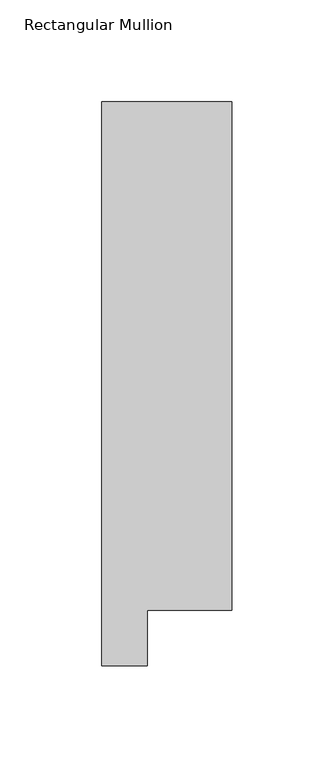
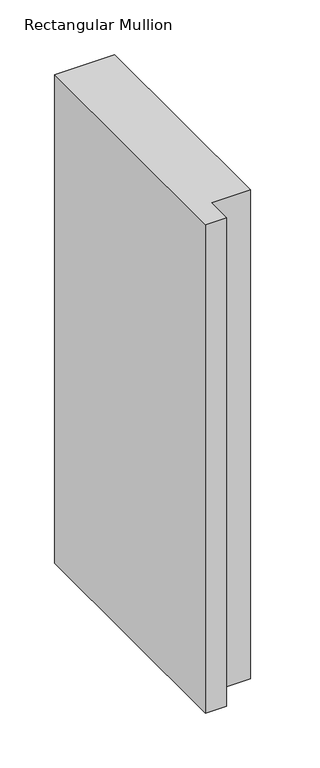
"""IFC4 building model written with IfcOpenShell, lengths in millimetres: member geometry, Rectangular Mullion."""

import ifcopenshell
import ifcopenshell.guid

model = None  # the IFC model being written
_history = None  # IfcOwnerHistory: only IFC2X3 demands one
_inside = {}  # id of a spatial element -> (the spatial element, [elements in it])
_under = {}  # id of a project, library or spatial element -> (it, [spatial elements below it])
_declared = {}  # id of a project -> (the project, [libraries it declares])
_typed = {}  # id of a type object -> (the type object, [elements of that type])
_made_of = {}  # id of a material, layer set ... -> (it, [elements and type objects made of it])


def new_model(schema):
    """Start an empty IFC model of exactly this schema.

    Asked for "IFC4X3", IfcOpenShell would pick the latest addendum, in which some entities
    have other attributes; the version numbers below select the first issue.
    IFC2X3 requires an IfcOwnerHistory on every rooted entity: one is made here for all.
    """
    global model, _history
    if schema == "IFC4X3":
        model = ifcopenshell.file(schema_version=(4, 3, 0, 0))
    else:
        model = ifcopenshell.file(schema=schema)
    _inside.clear()
    _under.clear()
    _declared.clear()
    _typed.clear()
    _made_of.clear()
    _history = None
    if model.schema == "IFC2X3":
        org = make("IfcOrganization", Name="unknown")
        user = make(
            "IfcPersonAndOrganization",
            ThePerson=make("IfcPerson", FamilyName="unknown"),
            TheOrganization=org,
        )
        app = make(
            "IfcApplication",
            ApplicationDeveloper=org,
            Version="unknown",
            ApplicationFullName="unknown",
            ApplicationIdentifier="unknown",
        )
        _history = make(
            "IfcOwnerHistory",
            OwningUser=user,
            OwningApplication=app,
            ChangeAction="ADDED",
            CreationDate=0,
        )
    return model


def make(cls, **values):
    """One entity of the class cls with the attributes given. An attribute that is None is left unset."""
    return model.create_entity(
        cls, **{name: value for name, value in values.items() if value is not None}
    )


def rooted(cls, **values):
    """An entity with a GlobalId (a new one), such as an element, a storey or a relation."""
    return make(cls, GlobalId=ifcopenshell.guid.new(), OwnerHistory=_history, **values)


def si_unit(unit_type, name, prefix=None):
    """IfcSIUnit, for example si_unit("LENGTHUNIT", "METRE", prefix="MILLI")."""
    return make("IfcSIUnit", UnitType=unit_type, Prefix=prefix, Name=name)


def assignment(units):
    """IfcUnitAssignment: the units of a project."""
    return None if units is None else make("IfcUnitAssignment", Units=units)


def point(xyz):
    """IfcCartesianPoint."""
    return None if xyz is None else make("IfcCartesianPoint", Coordinates=xyz)


def direction(xyz):
    """IfcDirection."""
    return None if xyz is None else make("IfcDirection", DirectionRatios=xyz)


def frame(location, z_axis=None, x_axis=None):
    """IfcAxis2Placement3D, a coordinate frame: its origin and axes. An axis left out is left unset."""
    return make(
        "IfcAxis2Placement3D",
        Location=point(location),
        Axis=direction(z_axis),
        RefDirection=direction(x_axis),
    )


def origin():
    """The frame at (0, 0, 0) with its axes left unset."""
    return frame((0.0, 0.0, 0.0))


def place(relative_to, where):
    """IfcLocalPlacement: puts the frame where relative to a parent placement (None: the world)."""
    return make(
        "IfcLocalPlacement", PlacementRelTo=relative_to, RelativePlacement=where
    )


def context(
    kind, dimensions, precision=None, world=None, true_north=None, identifier=None
):
    """IfcGeometricRepresentationContext, for example the 3D "Model" context."""
    return make(
        "IfcGeometricRepresentationContext",
        ContextIdentifier=identifier,
        ContextType=kind,
        CoordinateSpaceDimension=dimensions,
        Precision=precision,
        WorldCoordinateSystem=world,
        TrueNorth=true_north,
    )


def project(units=None, contexts=None):
    """IfcProject with its units and contexts."""
    return rooted(
        "IfcProject",
        Name="project",
        RepresentationContexts=contexts,
        UnitsInContext=assignment(units),
    )


def spatial(cls, under=None, at=None, **own):
    """A site, building, storey or space (cls), placed at a placement, below another one or the project."""
    s = rooted(cls, ObjectPlacement=at, **own)
    if under is not None:
        _under.setdefault(under.id(), (under, []))[1].append(s)
    return s


def polyline(points):
    """IfcPolyline through the points."""
    return make("IfcPolyline", Points=[point(p) for p in points])


def outline(outer, holes=None, kind="AREA"):
    """IfcArbitraryClosedProfileDef: a profile drawn as a closed curve; with holes, ...WithVoids."""
    if holes is None:
        return make("IfcArbitraryClosedProfileDef", ProfileType=kind, OuterCurve=outer)
    return make(
        "IfcArbitraryProfileDefWithVoids",
        ProfileType=kind,
        OuterCurve=outer,
        InnerCurves=holes,
    )


def extrude(swept, where, along, depth):
    """IfcExtrudedAreaSolid: the profile swept, set in the frame where, extruded along a direction by depth."""
    return make(
        "IfcExtrudedAreaSolid",
        SweptArea=swept,
        Position=where,
        ExtrudedDirection=direction(along),
        Depth=depth,
    )


def shape(context_of_items, identifier, shape_type, items):
    """IfcShapeRepresentation: the items that make up one representation, for example the "Body"."""
    return make(
        "IfcShapeRepresentation",
        ContextOfItems=context_of_items,
        RepresentationIdentifier=identifier,
        RepresentationType=shape_type,
        Items=items,
    )


def source(mapping_origin, context_of_items, identifier, shape_type, items):
    """IfcRepresentationMap: a shape defined once, which mapped items show again and again."""
    return make(
        "IfcRepresentationMap",
        MappingOrigin=mapping_origin,
        MappedRepresentation=shape(context_of_items, identifier, shape_type, items),
    )


def transform(
    local_origin,
    x_axis=None,
    y_axis=None,
    z_axis=None,
    scale=None,
    scale2=None,
    scale3=None,
    uniform=True,
):
    """IfcCartesianTransformationOperator3D, or its non-uniform kind. x_axis, y_axis, z_axis: its Axis1, 2, 3."""
    if uniform:
        return make(
            "IfcCartesianTransformationOperator3D",
            Axis1=direction(x_axis),
            Axis2=direction(y_axis),
            LocalOrigin=point(local_origin),
            Scale=scale,
            Axis3=direction(z_axis),
        )
    return make(
        "IfcCartesianTransformationOperator3DnonUniform",
        Axis1=direction(x_axis),
        Axis2=direction(y_axis),
        LocalOrigin=point(local_origin),
        Scale=scale,
        Axis3=direction(z_axis),
        Scale2=scale2,
        Scale3=scale3,
    )


def mapped(mapping_source, mapping_target):
    """IfcMappedItem: shows the shape of a source again, moved by a transform."""
    return make(
        "IfcMappedItem", MappingSource=mapping_source, MappingTarget=mapping_target
    )


def made_of(thing, what):
    """Note that an element or type object is made of a material, layer set ...; save() writes the relation."""
    if what is not None:
        _made_of.setdefault(what.id(), (what, []))[1].append(thing)
    return thing


def element(
    cls,
    number,
    at=None,
    inside=None,
    cuts=None,
    type_object=None,
    material=None,
    context=None,
    identifier="Body",
    shape_type=None,
    held_by="IfcProductDefinitionShape",
    body=None,
    shapes=None,
    **own,
):
    """One element of the class cls, such as IfcWall. Its Tag is "e" and its number.

    at: its placement. inside: the storey or other place that contains it. cuts: it is an
    opening in that element (IfcRelVoidsElement). A single representation is given by context,
    identifier, shape_type and body (its items); several are given by shapes. held_by: the class
    of the entity that holds the representations. save() writes the other relations.
    """
    e = rooted(cls, Tag="e%d" % number, ObjectPlacement=at, **own)
    if body is not None:
        shapes = [shape(context, identifier, shape_type, body)]
    if shapes is not None:
        e.Representation = make(held_by, Representations=shapes)
    if inside is not None:
        _inside.setdefault(inside.id(), (inside, []))[1].append(e)
    if cuts is not None:
        rooted(
            "IfcRelVoidsElement", RelatingBuildingElement=cuts, RelatedOpeningElement=e
        )
    if type_object is not None:
        _typed.setdefault(type_object.id(), (type_object, []))[1].append(e)
    return made_of(e, material)


def aggregate(whole, parts):
    """IfcRelAggregates: a whole, such as a stair, and the parts it consists of."""
    return rooted("IfcRelAggregates", RelatingObject=whole, RelatedObjects=parts)


def save(model, path):
    """Write the relations noted so far, then the file.

    IfcRelAggregates (storeys below a building ...), IfcRelContainedInSpatialStructure (elements
    in a storey), IfcRelDefinesByType, IfcRelAssociatesMaterial and IfcRelDeclares: one each for
    every whole, place, type object, material and project.
    """
    for whole, parts in _under.values():
        aggregate(whole, parts)
    for where, things in _inside.values():
        rooted(
            "IfcRelContainedInSpatialStructure",
            RelatedElements=things,
            RelatingStructure=where,
        )
    for kind, things in _typed.values():
        rooted("IfcRelDefinesByType", RelatedObjects=things, RelatingType=kind)
    for what, things in _made_of.values():
        rooted("IfcRelAssociatesMaterial", RelatedObjects=things, RelatingMaterial=what)
    for by, libraries in _declared.values():
        rooted("IfcRelDeclares", RelatingContext=by, RelatedDefinitions=libraries)
    model.write(path)


def rectangular_mullion_790249ed(model_context):
    return source(origin(), model_context, "Body", "SweptSolid", [
        extrude(outline(polyline([(-63.5, 295.9695312), (0.0, 295.9695312), (0.0, 46.7447302), (-41.2877, 46.7447302), (-41.2877, 19.5667312), (-63.5, 19.5667312), (-63.5, 295.9695312)])), frame((0.0, 0.0, -546.1), z_axis=(0.0, 0.0, 1.0), x_axis=(1.0, 0.0, 0.0)), (0.0, 0.0, 1.0), 546.1),
    ])


if __name__ == "__main__":
    model = new_model("IFC4")
    model_context = context("Model", 3, world=origin())
    ifc_project = project(units=[si_unit("LENGTHUNIT", "METRE", prefix="MILLI")], contexts=[model_context])
    site = spatial("IfcSite", under=ifc_project)
    building = spatial("IfcBuilding", under=site)
    placement = place(None, origin())
    rectangular_mullion_shape = rectangular_mullion_790249ed(model_context)
    element("IfcMember", 1, ObjectType="Rectangular Mullion", at=placement, inside=building, context=model_context, shape_type="MappedRepresentation", body=[
        mapped(rectangular_mullion_shape, transform((0.0, 0.0, 0.0), x_axis=(1.0, 0.0, 0.0), y_axis=(0.0, 1.0, 0.0), z_axis=(0.0, 0.0, 1.0))),
    ])
    save(model, "model.ifc")
